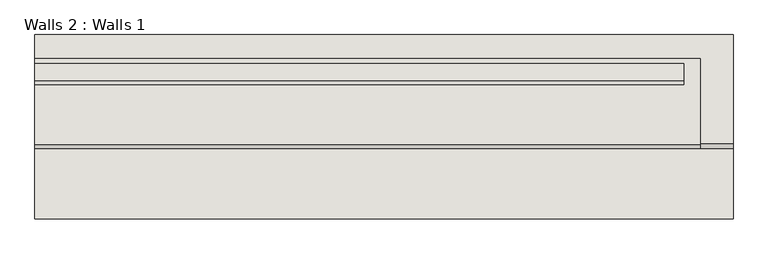
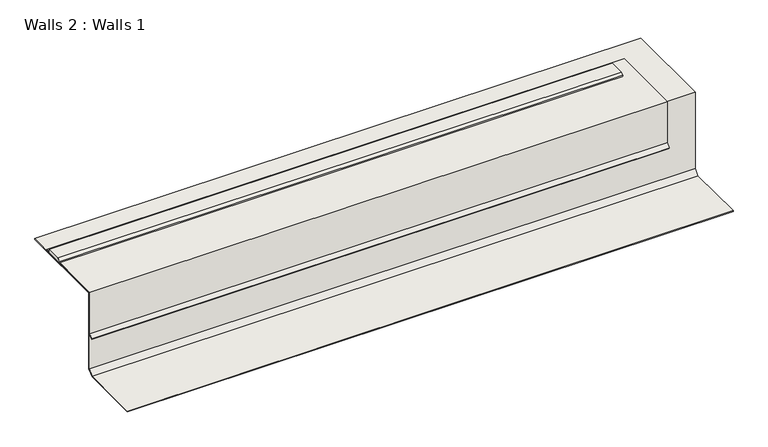
"""IFC4 building model written with IfcOpenShell, lengths in millimetres: wall geometry, Walls 2 : Walls 1."""

from ifc_helpers import new_model, si_unit, frame, origin, place, context, project, spatial, polyline, outline, extrude, source, transform, mapped, element, save


def walls_2_walls_1_e46881b9(model_context):
    return source(origin(), model_context, "Body", "SweptSolid", [
        extrude(outline(polyline([(5256.818459, 320.675), (5256.818459, 307.975), (5191.5809142, 307.975), (5191.5809142, 316.3313442), (5203.5150105, 320.675), (5256.818459, 320.675)])), frame((-3266.8176763, 0.0, 0.0), z_axis=(1.0, 0.0, 0.0), x_axis=(0.0, 1.0, 0.0)), (0.0, 0.0, 1.0), 2006.6),
        extrude(outline(polyline([(5009.5018854, 153.6713012), (4996.1578145, 140.3272302), (4993.9127504, 142.5722943), (5006.3268854, 154.9864293), (5006.3268854, 311.15), (5273.0268854, 311.15), (5273.0268854, 307.975), (5009.5018854, 307.975), (5009.5018854, 153.6713012)])), frame((-3266.8176763, 0.0, 0.0), z_axis=(1.0, 0.0, 0.0), x_axis=(0.0, 1.0, 0.0)), (0.0, 0.0, 1.0), 2057.4),
        extrude(outline(polyline([(5012.6768854, 19.05), (4993.6268854, 0.0), (4775.6763297, 0.0), (4775.6763297, 3.175), (4992.3117574, 3.175), (5009.5018854, 20.3651281), (5009.5018854, 307.975), (5346.0518854, 307.975), (5346.0518854, 304.8), (5012.6768854, 304.8), (5012.6768854, 19.05)])), frame((-3266.8176763, 0.0, 0.0), z_axis=(1.0, 0.0, 0.0), x_axis=(0.0, 1.0, 0.0)), (0.0, 0.0, 1.0), 2159.0),
    ])


if __name__ == "__main__":
    model = new_model("IFC4")
    model_context = context("Model", 3, world=origin())
    ifc_project = project(units=[si_unit("LENGTHUNIT", "METRE", prefix="MILLI")], contexts=[model_context])
    site = spatial("IfcSite", under=ifc_project)
    building = spatial("IfcBuilding", under=site)
    placement = place(None, origin())
    walls_2_walls_1_shape = walls_2_walls_1_e46881b9(model_context)
    element("IfcWall", 1, ObjectType="Walls 2 : Walls 1", at=placement, inside=building, context=model_context, shape_type="MappedRepresentation", body=[
        mapped(walls_2_walls_1_shape, transform((0.0, 0.0, 0.0), x_axis=(1.0, 0.0, 0.0), y_axis=(0.0, 1.0, 0.0), z_axis=(0.0, 0.0, 1.0))),
    ])
    save(model, "model.ifc")
